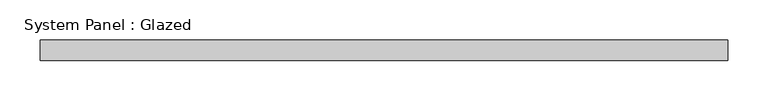
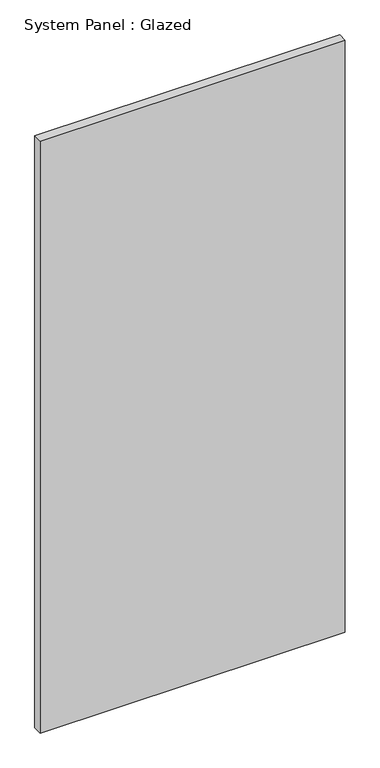
"""IFC4 building model written with IfcOpenShell, lengths in millimetres: plate geometry, System Panel : Glazed."""

from ifc_helpers import new_model, si_unit, origin, origin_with_axes, place, context, project, spatial, polyline, outline, extrude, source, transform, mapped, element, save


def system_panel_glazed_543c541e(model_context):
    return source(origin(), model_context, "Body", "SweptSolid", [
        extrude(outline(polyline([(425.0, -49.5), (-425.0, -49.5), (-425.0, -24.5), (425.0, -24.5), (425.0, -49.5)])), origin_with_axes(), (0.0, 0.0, 1.0), 1743.3333333),
    ])


if __name__ == "__main__":
    model = new_model("IFC4")
    model_context = context("Model", 3, world=origin())
    ifc_project = project(units=[si_unit("LENGTHUNIT", "METRE", prefix="MILLI")], contexts=[model_context])
    site = spatial("IfcSite", under=ifc_project)
    building = spatial("IfcBuilding", under=site)
    placement = place(None, origin())
    system_panel_glazed_shape = system_panel_glazed_543c541e(model_context)
    element("IfcPlate", 1, ObjectType="System Panel : Glazed", at=placement, inside=building, context=model_context, shape_type="MappedRepresentation", body=[
        mapped(system_panel_glazed_shape, transform((0.0, 0.0, 0.0), x_axis=(1.0, 0.0, 0.0), y_axis=(0.0, 1.0, 0.0), z_axis=(0.0, 0.0, 1.0))),
    ])
    save(model, "model.ifc")
